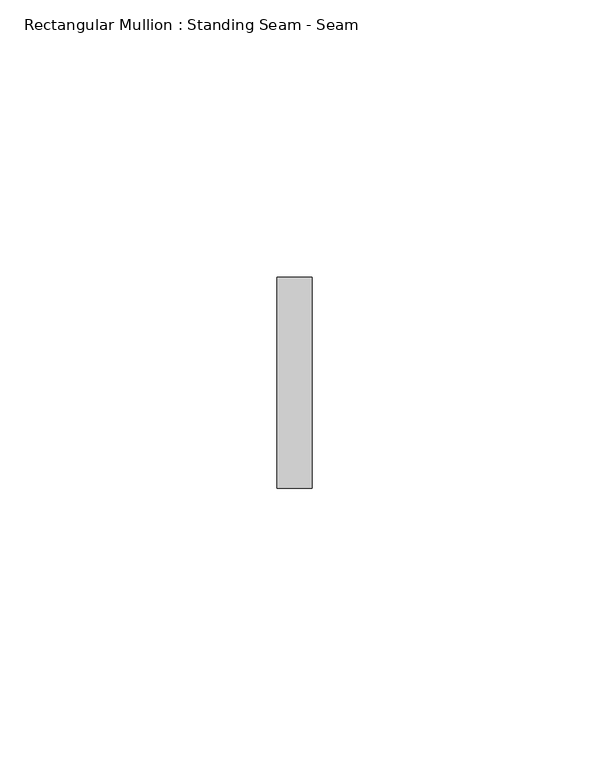
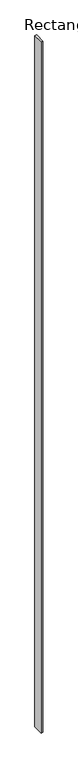
"""IFC4 building model written with IfcOpenShell, lengths in millimetres: member geometry, Rectangular Mullion : Standing Seam - Seam."""

from ifc_helpers import new_model, si_unit, frame, origin, place, context, project, spatial, polyline, outline, extrude, source, transform, mapped, element, save


def rectangular_mullion_standing_seam_seam_50147ebc(model_context):
    return source(origin(), model_context, "Body", "SweptSolid", [
        extrude(outline(polyline([(3.175, 41.275), (3.175, 3.175), (-3.175, 3.175), (-3.175, 41.275), (3.175, 41.275)])), frame((0.0, 0.0, -2598.9109889), z_axis=(0.0, 0.0, 1.0), x_axis=(1.0, 0.0, 0.0)), (0.0, 0.0, 1.0), 2598.9109889),
    ])


if __name__ == "__main__":
    model = new_model("IFC4")
    model_context = context("Model", 3, world=origin())
    ifc_project = project(units=[si_unit("LENGTHUNIT", "METRE", prefix="MILLI")], contexts=[model_context])
    site = spatial("IfcSite", under=ifc_project)
    building = spatial("IfcBuilding", under=site)
    placement = place(None, origin())
    rectangular_mullion_standing_seam_seam_shape = rectangular_mullion_standing_seam_seam_50147ebc(model_context)
    element("IfcMember", 1, ObjectType="Rectangular Mullion : Standing Seam - Seam", at=placement, inside=building, context=model_context, shape_type="MappedRepresentation", body=[
        mapped(rectangular_mullion_standing_seam_seam_shape, transform((0.0, 0.0, 0.0), x_axis=(1.0, 0.0, 0.0), y_axis=(0.0, 1.0, 0.0), z_axis=(0.0, 0.0, 1.0))),
    ])
    save(model, "model.ifc")
